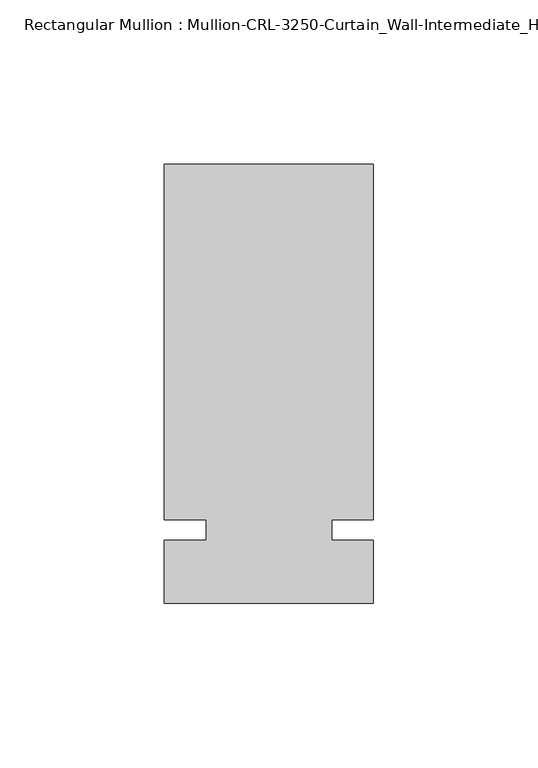
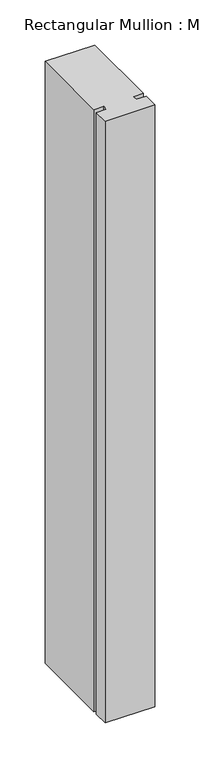
"""IFC4 building model written with IfcOpenShell, lengths in millimetres: member geometry."""

import ifcopenshell
import ifcopenshell.guid

model = None  # the IFC model being written
_history = None  # IfcOwnerHistory: only IFC2X3 demands one
_inside = {}  # id of a spatial element -> (the spatial element, [elements in it])
_under = {}  # id of a project, library or spatial element -> (it, [spatial elements below it])
_declared = {}  # id of a project -> (the project, [libraries it declares])
_typed = {}  # id of a type object -> (the type object, [elements of that type])
_made_of = {}  # id of a material, layer set ... -> (it, [elements and type objects made of it])


def new_model(schema):
    """Start an empty IFC model of exactly this schema.

    Asked for "IFC4X3", IfcOpenShell would pick the latest addendum, in which some entities
    have other attributes; the version numbers below select the first issue.
    IFC2X3 requires an IfcOwnerHistory on every rooted entity: one is made here for all.
    """
    global model, _history
    if schema == "IFC4X3":
        model = ifcopenshell.file(schema_version=(4, 3, 0, 0))
    else:
        model = ifcopenshell.file(schema=schema)
    _inside.clear()
    _under.clear()
    _declared.clear()
    _typed.clear()
    _made_of.clear()
    _history = None
    if model.schema == "IFC2X3":
        org = make("IfcOrganization", Name="unknown")
        user = make(
            "IfcPersonAndOrganization",
            ThePerson=make("IfcPerson", FamilyName="unknown"),
            TheOrganization=org,
        )
        app = make(
            "IfcApplication",
            ApplicationDeveloper=org,
            Version="unknown",
            ApplicationFullName="unknown",
            ApplicationIdentifier="unknown",
        )
        _history = make(
            "IfcOwnerHistory",
            OwningUser=user,
            OwningApplication=app,
            ChangeAction="ADDED",
            CreationDate=0,
        )
    return model


def make(cls, **values):
    """One entity of the class cls with the attributes given. An attribute that is None is left unset."""
    return model.create_entity(
        cls, **{name: value for name, value in values.items() if value is not None}
    )


def rooted(cls, **values):
    """An entity with a GlobalId (a new one), such as an element, a storey or a relation."""
    return make(cls, GlobalId=ifcopenshell.guid.new(), OwnerHistory=_history, **values)


def si_unit(unit_type, name, prefix=None):
    """IfcSIUnit, for example si_unit("LENGTHUNIT", "METRE", prefix="MILLI")."""
    return make("IfcSIUnit", UnitType=unit_type, Prefix=prefix, Name=name)


def assignment(units):
    """IfcUnitAssignment: the units of a project."""
    return None if units is None else make("IfcUnitAssignment", Units=units)


def point(xyz):
    """IfcCartesianPoint."""
    return None if xyz is None else make("IfcCartesianPoint", Coordinates=xyz)


def direction(xyz):
    """IfcDirection."""
    return None if xyz is None else make("IfcDirection", DirectionRatios=xyz)


def frame(location, z_axis=None, x_axis=None):
    """IfcAxis2Placement3D, a coordinate frame: its origin and axes. An axis left out is left unset."""
    return make(
        "IfcAxis2Placement3D",
        Location=point(location),
        Axis=direction(z_axis),
        RefDirection=direction(x_axis),
    )


def origin():
    """The frame at (0, 0, 0) with its axes left unset."""
    return frame((0.0, 0.0, 0.0))


def place(relative_to, where):
    """IfcLocalPlacement: puts the frame where relative to a parent placement (None: the world)."""
    return make(
        "IfcLocalPlacement", PlacementRelTo=relative_to, RelativePlacement=where
    )


def context(
    kind, dimensions, precision=None, world=None, true_north=None, identifier=None
):
    """IfcGeometricRepresentationContext, for example the 3D "Model" context."""
    return make(
        "IfcGeometricRepresentationContext",
        ContextIdentifier=identifier,
        ContextType=kind,
        CoordinateSpaceDimension=dimensions,
        Precision=precision,
        WorldCoordinateSystem=world,
        TrueNorth=true_north,
    )


def project(units=None, contexts=None):
    """IfcProject with its units and contexts."""
    return rooted(
        "IfcProject",
        Name="project",
        RepresentationContexts=contexts,
        UnitsInContext=assignment(units),
    )


def spatial(cls, under=None, at=None, **own):
    """A site, building, storey or space (cls), placed at a placement, below another one or the project."""
    s = rooted(cls, ObjectPlacement=at, **own)
    if under is not None:
        _under.setdefault(under.id(), (under, []))[1].append(s)
    return s


def polyline(points):
    """IfcPolyline through the points."""
    return make("IfcPolyline", Points=[point(p) for p in points])


def outline(outer, holes=None, kind="AREA"):
    """IfcArbitraryClosedProfileDef: a profile drawn as a closed curve; with holes, ...WithVoids."""
    if holes is None:
        return make("IfcArbitraryClosedProfileDef", ProfileType=kind, OuterCurve=outer)
    return make(
        "IfcArbitraryProfileDefWithVoids",
        ProfileType=kind,
        OuterCurve=outer,
        InnerCurves=holes,
    )


def extrude(swept, where, along, depth):
    """IfcExtrudedAreaSolid: the profile swept, set in the frame where, extruded along a direction by depth."""
    return make(
        "IfcExtrudedAreaSolid",
        SweptArea=swept,
        Position=where,
        ExtrudedDirection=direction(along),
        Depth=depth,
    )


def shape(context_of_items, identifier, shape_type, items):
    """IfcShapeRepresentation: the items that make up one representation, for example the "Body"."""
    return make(
        "IfcShapeRepresentation",
        ContextOfItems=context_of_items,
        RepresentationIdentifier=identifier,
        RepresentationType=shape_type,
        Items=items,
    )


def source(mapping_origin, context_of_items, identifier, shape_type, items):
    """IfcRepresentationMap: a shape defined once, which mapped items show again and again."""
    return make(
        "IfcRepresentationMap",
        MappingOrigin=mapping_origin,
        MappedRepresentation=shape(context_of_items, identifier, shape_type, items),
    )


def transform(
    local_origin,
    x_axis=None,
    y_axis=None,
    z_axis=None,
    scale=None,
    scale2=None,
    scale3=None,
    uniform=True,
):
    """IfcCartesianTransformationOperator3D, or its non-uniform kind. x_axis, y_axis, z_axis: its Axis1, 2, 3."""
    if uniform:
        return make(
            "IfcCartesianTransformationOperator3D",
            Axis1=direction(x_axis),
            Axis2=direction(y_axis),
            LocalOrigin=point(local_origin),
            Scale=scale,
            Axis3=direction(z_axis),
        )
    return make(
        "IfcCartesianTransformationOperator3DnonUniform",
        Axis1=direction(x_axis),
        Axis2=direction(y_axis),
        LocalOrigin=point(local_origin),
        Scale=scale,
        Axis3=direction(z_axis),
        Scale2=scale2,
        Scale3=scale3,
    )


def mapped(mapping_source, mapping_target):
    """IfcMappedItem: shows the shape of a source again, moved by a transform."""
    return make(
        "IfcMappedItem", MappingSource=mapping_source, MappingTarget=mapping_target
    )


def made_of(thing, what):
    """Note that an element or type object is made of a material, layer set ...; save() writes the relation."""
    if what is not None:
        _made_of.setdefault(what.id(), (what, []))[1].append(thing)
    return thing


def element(
    cls,
    number,
    at=None,
    inside=None,
    cuts=None,
    type_object=None,
    material=None,
    context=None,
    identifier="Body",
    shape_type=None,
    held_by="IfcProductDefinitionShape",
    body=None,
    shapes=None,
    **own,
):
    """One element of the class cls, such as IfcWall. Its Tag is "e" and its number.

    at: its placement. inside: the storey or other place that contains it. cuts: it is an
    opening in that element (IfcRelVoidsElement). A single representation is given by context,
    identifier, shape_type and body (its items); several are given by shapes. held_by: the class
    of the entity that holds the representations. save() writes the other relations.
    """
    e = rooted(cls, Tag="e%d" % number, ObjectPlacement=at, **own)
    if body is not None:
        shapes = [shape(context, identifier, shape_type, body)]
    if shapes is not None:
        e.Representation = make(held_by, Representations=shapes)
    if inside is not None:
        _inside.setdefault(inside.id(), (inside, []))[1].append(e)
    if cuts is not None:
        rooted(
            "IfcRelVoidsElement", RelatingBuildingElement=cuts, RelatedOpeningElement=e
        )
    if type_object is not None:
        _typed.setdefault(type_object.id(), (type_object, []))[1].append(e)
    return made_of(e, material)


def aggregate(whole, parts):
    """IfcRelAggregates: a whole, such as a stair, and the parts it consists of."""
    return rooted("IfcRelAggregates", RelatingObject=whole, RelatedObjects=parts)


def save(model, path):
    """Write the relations noted so far, then the file.

    IfcRelAggregates (storeys below a building ...), IfcRelContainedInSpatialStructure (elements
    in a storey), IfcRelDefinesByType, IfcRelAssociatesMaterial and IfcRelDeclares: one each for
    every whole, place, type object, material and project.
    """
    for whole, parts in _under.values():
        aggregate(whole, parts)
    for where, things in _inside.values():
        rooted(
            "IfcRelContainedInSpatialStructure",
            RelatedElements=things,
            RelatingStructure=where,
        )
    for kind, things in _typed.values():
        rooted("IfcRelDefinesByType", RelatedObjects=things, RelatingType=kind)
    for what, things in _made_of.values():
        rooted("IfcRelAssociatesMaterial", RelatedObjects=things, RelatingMaterial=what)
    for by, libraries in _declared.values():
        rooted("IfcRelDeclares", RelatingContext=by, RelatedDefinitions=libraries)
    model.write(path)


def member_e78c6f17(model_context):
    return source(origin(), model_context, "Body", "SweptSolid", [
        extrude(outline(polyline([(31.7499985, -3.175), (31.7499985, -22.2254168), (-31.7499985, -22.2254168), (-31.7499985, -3.175), (-19.0499985, -3.175), (-19.0499985, 3.175), (-31.7499985, 3.175), (-31.7499985, 111.1245832), (31.7499985, 111.1245832), (31.7499985, 3.175), (19.0499985, 3.175), (19.0499985, -3.175), (31.7499985, -3.175)])), frame((0.0, 0.0, -815.9768581), z_axis=(0.0, 0.0, 1.0), x_axis=(1.0, 0.0, 0.0)), (0.0, 0.0, 1.0), 815.9768581),
    ])


if __name__ == "__main__":
    model = new_model("IFC4")
    model_context = context("Model", 3, world=origin())
    ifc_project = project(units=[si_unit("LENGTHUNIT", "METRE", prefix="MILLI")], contexts=[model_context])
    site = spatial("IfcSite", under=ifc_project)
    building = spatial("IfcBuilding", under=site)
    placement = place(None, origin())
    member_shape = member_e78c6f17(model_context)
    element("IfcMember", 1, ObjectType="Rectangular Mullion : Mullion-CRL-3250-Curtain_Wall-Intermediate_Horizontal-4\"", at=placement, inside=building, context=model_context, shape_type="MappedRepresentation", body=[
        mapped(member_shape, transform((0.0, 0.0, 0.0), x_axis=(1.0, 0.0, 0.0), y_axis=(0.0, 1.0, 0.0), z_axis=(0.0, 0.0, 1.0))),
    ])
    save(model, "model.ifc")
